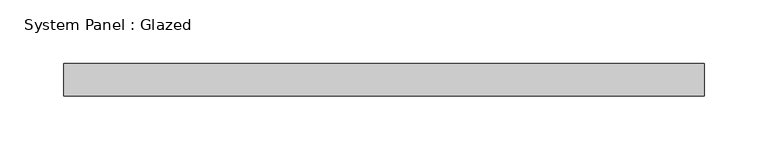
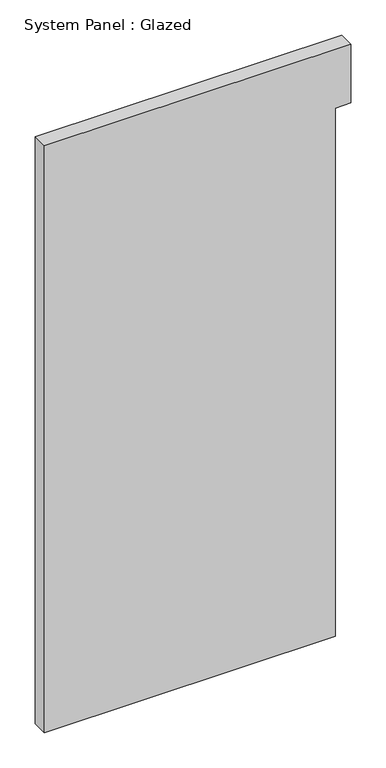
"""IFC4 building model written with IfcOpenShell, lengths in millimetres: plate geometry, System Panel : Glazed."""

from ifc_helpers import new_model, si_unit, frame, origin, place, context, project, spatial, polyline, outline, extrude, source, transform, mapped, element, save


def system_panel_glazed_28d022a2(model_context):
    return source(origin(), model_context, "Body", "SweptSolid", [
        extrude(outline(polyline([(0.0, -250.825), (0.0, 225.425), (914.4, 225.425), (914.4, 250.825), (1016.0, 250.825), (1016.0, -250.825), (0.0, -250.825)])), frame((0.0, -12.7, 0.0), z_axis=(0.0, 1.0, 0.0), x_axis=(0.0, 0.0, 1.0)), (0.0, 0.0, 1.0), 25.4),
    ])


if __name__ == "__main__":
    model = new_model("IFC4")
    model_context = context("Model", 3, world=origin())
    ifc_project = project(units=[si_unit("LENGTHUNIT", "METRE", prefix="MILLI")], contexts=[model_context])
    site = spatial("IfcSite", under=ifc_project)
    building = spatial("IfcBuilding", under=site)
    placement = place(None, origin())
    system_panel_glazed_shape = system_panel_glazed_28d022a2(model_context)
    element("IfcPlate", 1, ObjectType="System Panel : Glazed", at=placement, inside=building, context=model_context, shape_type="MappedRepresentation", body=[
        mapped(system_panel_glazed_shape, transform((0.0, 0.0, 0.0), x_axis=(1.0, 0.0, 0.0), y_axis=(0.0, 1.0, 0.0), z_axis=(0.0, 0.0, 1.0))),
    ])
    save(model, "model.ifc")
